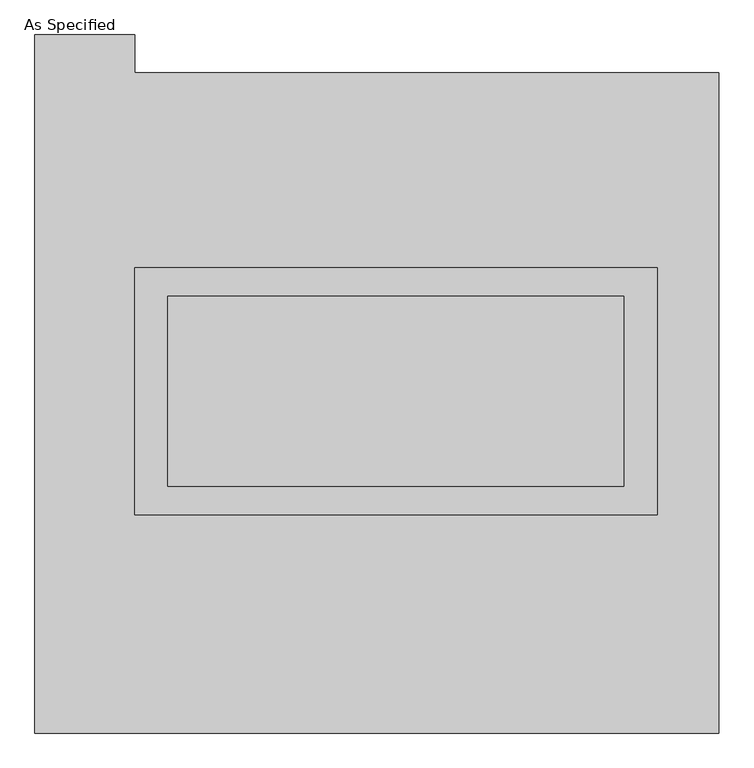
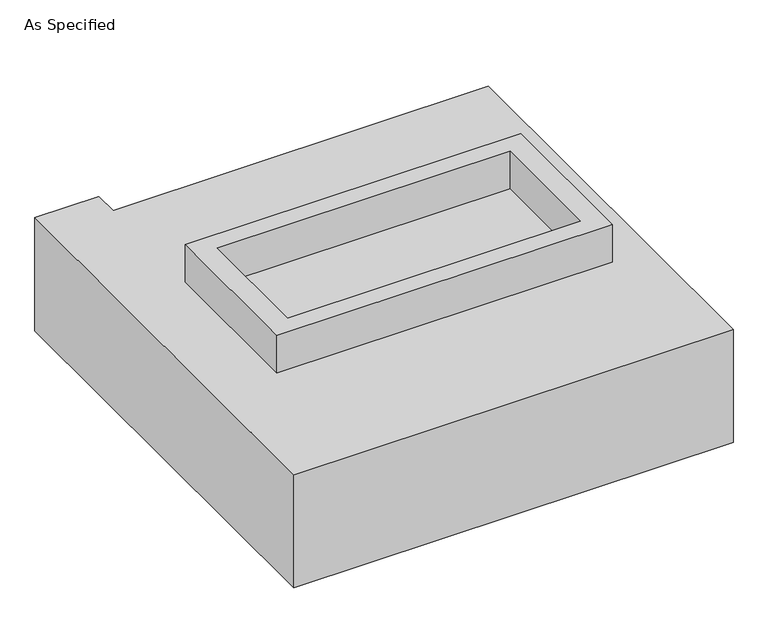
"""IFC4 building model written with IfcOpenShell, lengths in millimetres: proxy geometry, As Specified."""

from ifc_helpers import new_model, si_unit, frame, origin, place, context, project, spatial, polyline, outline, extrude, faceted_brep, source, transform, mapped, element, save


def as_specified_918e3539(model_context):
    return source(origin(), model_context, "Body", "SolidModel", [
        extrude(outline(polyline([(698.5, 361.95), (698.5, -298.45), (-698.5, -298.45), (-698.5, 361.95), (698.5, 361.95)]), holes=[polyline([(609.6, 285.75), (-609.6, 285.75), (-609.6, -222.25), (609.6, -222.25), (609.6, 285.75)])]), frame((0.0, 0.0, -25.4), z_axis=(0.0, 0.0, 1.0), x_axis=(1.0, 0.0, 0.0)), (0.0, 0.0, 1.0), 165.1),
        extrude(outline(polyline([(609.6, 285.75), (609.6, -222.25), (-609.6, -222.25), (-609.6, 285.75), (609.6, 285.75)])), frame((0.0, 0.0, -30.3609375), z_axis=(0.0, 0.0, 1.0), x_axis=(1.0, 0.0, 0.0)), (0.0, 0.0, 1.0), 4.9609375),
        faceted_brep([(863.6, -882.65, -523.875), (-965.2, -882.65, -523.875), (-965.2, 984.25, -523.875), (-698.5, 984.25, -523.875), (-698.5, 882.65, -523.875), (863.6, 882.65, -523.875), (-965.2, -882.65, -25.4), (863.6, -882.65, -25.4), (863.6, 882.65, -25.4), (-698.5, 882.65, -25.4), (-698.5, 984.25, -25.4), (-965.2, 984.25, -25.4), (-698.5, -298.45, -25.4), (-698.5, 361.95, -25.4), (698.5, 361.95, -25.4), (698.5, -298.45, -25.4), (698.5, 361.95, -498.475), (-698.5, 361.95, -498.475), (-698.5, -298.45, -498.475), (698.5, -298.45, -498.475)], [[[0, 1, 2, 3, 4, 5]], [[6, 7, 8, 9, 10, 11], [12, 13, 14, 15]], [[8, 5, 4, 9]], [[2, 1, 6, 11]], [[5, 8, 7, 0]], [[16, 17, 18, 19]], [[18, 17, 13, 12]], [[17, 16, 14, 13]], [[16, 19, 15, 14]], [[12, 15, 19, 18]], [[1, 0, 7, 6]], [[4, 3, 10, 9]], [[3, 2, 11, 10]]]),
    ])


if __name__ == "__main__":
    model = new_model("IFC4")
    model_context = context("Model", 3, world=origin())
    ifc_project = project(units=[si_unit("LENGTHUNIT", "METRE", prefix="MILLI")], contexts=[model_context])
    site = spatial("IfcSite", under=ifc_project)
    building = spatial("IfcBuilding", under=site)
    placement = place(None, origin())
    as_specified_shape = as_specified_918e3539(model_context)
    element("IfcBuildingElementProxy", 1, Name="As Specified", ObjectType="As Specified", at=placement, inside=building, context=model_context, shape_type="MappedRepresentation", body=[
        mapped(as_specified_shape, transform((0.0, 0.0, 0.0), x_axis=(1.0, 0.0, 0.0), y_axis=(0.0, 1.0, 0.0), z_axis=(0.0, 0.0, 1.0))),
    ])
    save(model, "model.ifc")
